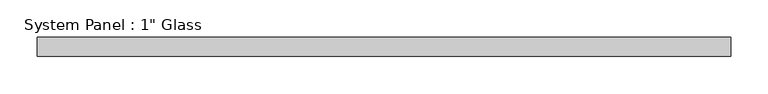
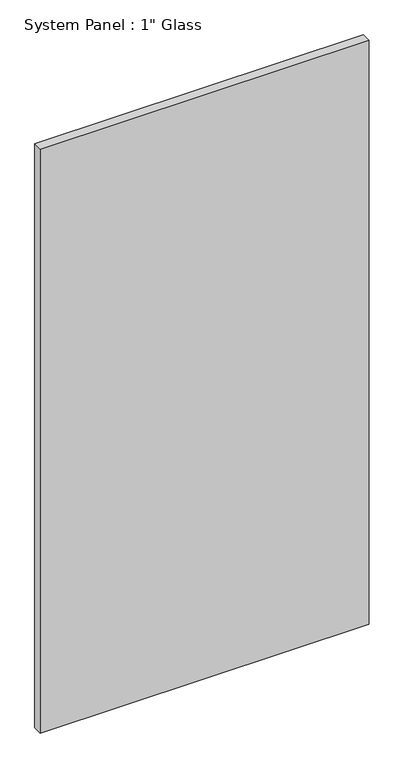
"""IFC4 building model written with IfcOpenShell, lengths in millimetres: plate geometry."""

from ifc_helpers import new_model, si_unit, origin, origin_with_axes, place, context, project, spatial, polyline, outline, extrude, source, transform, mapped, element, save


def plate_f4235546(model_context):
    return source(origin(), model_context, "Body", "SweptSolid", [
        extrude(outline(polyline([(463.55, -12.7), (-463.55, -12.7), (-463.55, 12.7), (463.55, 12.7), (463.55, -12.7)])), origin_with_axes(), (0.0, 0.0, 1.0), 1739.9),
    ])


if __name__ == "__main__":
    model = new_model("IFC4")
    model_context = context("Model", 3, world=origin())
    ifc_project = project(units=[si_unit("LENGTHUNIT", "METRE", prefix="MILLI")], contexts=[model_context])
    site = spatial("IfcSite", under=ifc_project)
    building = spatial("IfcBuilding", under=site)
    placement = place(None, origin())
    plate_shape = plate_f4235546(model_context)
    element("IfcPlate", 1, ObjectType="System Panel : 1\" Glass", at=placement, inside=building, context=model_context, shape_type="MappedRepresentation", body=[
        mapped(plate_shape, transform((0.0, 0.0, 0.0), x_axis=(1.0, 0.0, 0.0), y_axis=(0.0, 1.0, 0.0), z_axis=(0.0, 0.0, 1.0))),
    ])
    save(model, "model.ifc")
